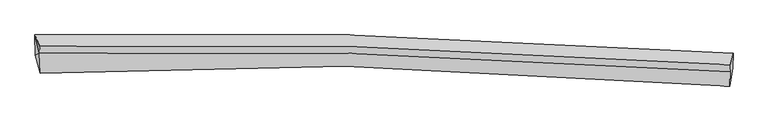
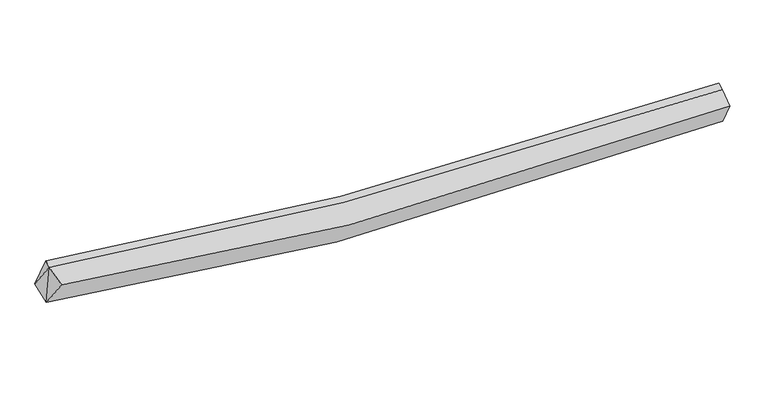
"""IFC4 building model written with IfcOpenShell, lengths in millimetres: proxy geometry."""

from ifc_helpers import new_model, si_unit, frame, origin, place, context, project, spatial, source, transform, mapped, element, save
from ifc_brep_helpers import plane_surface, spline_curve, spline_surface, advanced_brep


def generic_models_a4d318aa(model_context):
    return source(origin(), model_context, "Body", "AdvancedBrep", [
        advanced_brep(
        [(-6774.2137505, -2010.3667387, 3163.1494848), (-6780.1198, -1578.1529607, 3345.0221759), (8187.5505525, -1974.3131344, 2597.469093), (8179.1684131, -2295.9292455, 2387.3364855), (-6660.5310612, -2400.9058984, 3775.4807515), (8116.6853179, -2673.7687295, 2997.0357451), (-6682.1776771, -1970.738594, 3938.2201708), (8124.9237345, -2362.6517199, 3198.1945083), (-6675.625831, -1820.6626692, 3993.3045617), (8131.4755806, -2212.5757952, 3253.2788992)],
        [
            (0, 1),
            (1, 2, spline_curve(3, [(-6780.1198, -1578.1529607, 3345.0221759), (-4580.869031723, -1530.696477676, 2971.723868267), (-2374.047397431, -1530.378771991, 2715.079658604), (2610.895550842, -1635.780308394, 2399.940083278), (5393.297367587, -1768.151404508, 2407.399931478), (8187.5505525, -1974.3131344, 2597.469093)], [4, 2, 4], [0.0, 21.902348235922307, 49.30560249280356])),
            (2, 3),
            (3, 0, spline_curve(3, [(8179.1684131, -2295.9292455, 2387.3364855), (5358.183199288, -2036.179171264, 2073.75395599), (2565.377768186, -1891.390974133, 2014.337254252), (-2408.904919314, -1837.725643717, 2364.741734816), (-4600.560209882, -1887.326339, 2682.762768742), (-6774.2137505, -2010.3667387, 3163.1494848)], [4, 2, 4], [0.0, 27.40325425688125, 49.30560249280356])),
            (4, 0),
            (3, 5),
            (5, 4, spline_curve(3, [(8116.6853179, -2673.7687295, 2997.0357451), (5347.490602868, -2414.399232421, 2680.883060968), (2595.830296869, -2271.087718316, 2620.595660599), (-2323.575381312, -2222.051507528, 2972.491289841), (-4497.653868929, -2274.408744384, 3292.260358855), (-6660.5310612, -2400.9058984, 3775.4807515)], [4, 2, 4], [0.0, 27.26091569798833, 49.049498296623625])),
            (6, 4),
            (5, 7),
            (7, 6, spline_curve(3, [(8124.9237345, -2362.6517199, 3198.1945083), (5384.729508457, -2156.205775223, 3000.921129482), (2642.874571314, -2024.145723433, 2989.485989335), (-2293.425717575, -1920.374866962, 3303.282654738), (-4487.271251688, -1921.797210229, 3561.393015984), (-6682.1776771, -1970.738594, 3938.2201708)], [4, 2, 4], [0.0, 27.09858009667252, 48.757414204935955])),
            (8, 6),
            (7, 9),
            (9, 8, spline_curve(3, [(8131.4755806, -2212.5757952, 3253.2788992), (5391.281354262, -2006.129850035, 3056.005520464), (2649.426417742, -1874.069798026, 3044.570380076), (-2286.873871917, -1770.298942647, 3358.367045765), (-4480.719405999, -1771.721285448, 3616.477406589), (-6675.625831, -1820.6626692, 3993.3045617)], [4, 2, 4], [0.0, 27.11614711153572, 48.78902184699593])),
            (1, 8),
            (9, 2),
            (1, 6),
            (6, 0),
        ],
        [
            spline_surface(3, 3, [[(-6774.2137505, -2010.3667387, 3163.1494848), (-4600.560209936, -1887.326338637, 2682.762768859), (-2408.904919614, -1837.725643673, 2364.74173456), (2565.377768562, -1891.390974189, 2014.337254571), (5358.183199449, -2036.179171474, 2073.753955773), (8179.1684131, -2295.9292455, 2387.3364855)], [(-6776.182433673, -1866.295479368, 3223.773715184), (-4593.996483957, -1768.449718385, 2779.083135237), (-2397.28574562, -1735.27668653, 2481.521042662), (2580.55036275, -1806.18741881, 2142.871530739), (5369.887922174, -1946.836582644, 2184.96928092), (8181.962459582, -2188.723875141, 2457.380687987)], [(-6778.151116827, -1722.224220032, 3284.397945516), (-4587.432757959, -1649.573098129, 2875.403501564), (-2385.666571641, -1632.827729398, 2598.300350708), (2595.722956925, -1720.983863442, 2271.405806853), (5381.592644854, -1857.493993791, 2296.184606106), (8184.756506018, -2081.518504759, 2527.424890513)], [(-6780.1198, -1578.1529607, 3345.0221759), (-4580.86903198, -1530.696477877, 2971.723867943), (-2374.047397647, -1530.378772255, 2715.07965881), (2610.895551113, -1635.780308064, 2399.940083021), (5393.297367579, -1768.151404961, 2407.399931252), (8187.5505525, -1974.3131344, 2597.469093)]], [4, 4], [4, 2, 4], [0.0, 1.5215550675798986], [0.0, 21.902348235922307, 49.30560249280356]),
            spline_surface(3, 3, [[(-6660.5310612, -2400.9058984, 3775.4807515), (-4497.653868677, -2274.4087442, 3292.260358501), (-2323.57538131, -2222.051507247, 2972.491289501), (2595.830296867, -2271.087718668, 2620.595661024), (5347.490602517, -2414.399232653, 2680.883061273), (8116.6853179, -2673.7687295, 2997.0357451)], [(-6698.425290958, -2270.726178512, 3571.370329257), (-4531.955982421, -2145.381275691, 3089.094495277), (-2352.018560746, -2093.942886056, 2769.90810451), (2585.679454097, -2144.522137176, 2418.509525529), (5351.054801491, -2288.325878911, 2478.506692786), (8137.513016297, -2547.822234818, 2793.802658579)], [(-6736.319520742, -2140.546458588, 3367.259907043), (-4566.258096192, -2016.353807146, 2885.928632083), (-2380.461740178, -1965.834264863, 2567.324919551), (2575.528611332, -2017.956555681, 2216.423390066), (5354.619000475, -2162.252525216, 2276.130324261), (8158.340714703, -2421.875740182, 2590.569572021)], [(-6774.2137505, -2010.3667387, 3163.1494848), (-4600.560209936, -1887.326338637, 2682.762768859), (-2408.904919614, -1837.725643673, 2364.74173456), (2565.377768562, -1891.390974189, 2014.337254571), (5358.183199449, -2036.179171474, 2073.753955773), (8179.1684131, -2295.9292455, 2387.3364855)]], [4, 4], [4, 2, 4], [0.0, 2.35792801260865], [0.0, 21.788582598635294, 49.049498296623625]),
            spline_surface(3, 3, [[(-6682.1776771, -1970.738594, 3938.2201708), (-4487.271251764, -1921.797210483, 3561.393015978), (-2293.425717773, -1920.374867265, 3303.282654703), (2642.874571562, -2024.145723054, 2989.485989379), (5384.729508113, -2156.205774886, 3000.921129828), (8124.9237345, -2362.6517199, 3198.1945083)], [(-6674.962138496, -2114.127695466, 3883.973697707), (-4490.732124098, -2039.334388388, 3471.682130159), (-2303.475605619, -2020.933747276, 3193.018866305), (2627.193146663, -2106.459721609, 2866.522546596), (5372.316539564, -2242.270260799, 2894.241773629), (8122.177595617, -2466.357389757, 3131.14158722)], [(-6667.746599804, -2257.516796934, 3829.727224593), (-4494.192996343, -2156.871566295, 3381.971244319), (-2313.525493463, -2121.492627236, 3082.755077899), (2611.511721766, -2188.773720113, 2743.559103807), (5359.903571065, -2328.33474674, 2787.562417472), (8119.431456783, -2570.063059643, 3064.08866618)], [(-6660.5310612, -2400.9058984, 3775.4807515), (-4497.653868677, -2274.4087442, 3292.260358501), (-2323.57538131, -2222.051507247, 2972.491289501), (2595.830296867, -2271.087718668, 2620.595661024), (5347.490602517, -2414.399232653, 2680.883061273), (8116.6853179, -2673.7687295, 2997.0357451)]], [4, 4], [4, 2, 4], [0.0, 1.4602076286749337], [0.0, 21.658834108263434, 48.757414204935955]),
            spline_surface(3, 3, [[(-6675.625831, -1820.6626692, 3993.3045617), (-4480.719405664, -1771.721285683, 3616.477406878), (-2286.873871773, -1770.298942465, 3358.367045603), (2649.426417562, -1874.069798254, 3044.570380279), (5391.281354213, -2006.129850186, 3056.005520728), (8131.4755806, -2212.5757952, 3253.2788992)], [(-6677.80977969, -1870.68797745, 3974.94309806), (-4482.903354355, -1821.746593934, 3598.115943237), (-2289.057820463, -1820.324250716, 3340.005581962), (2647.242468871, -1924.095106504, 3026.208916638), (5389.097405522, -2056.155158436, 3037.644057088), (8129.29163191, -2262.60110345, 3234.91743556)], [(-6679.99372841, -1920.71328575, 3956.58163444), (-4485.087303074, -1871.771902233, 3579.754479618), (-2291.241769082, -1870.349559015, 3321.644118343), (2645.058520252, -1974.120414803, 3007.847453019), (5386.913456803, -2106.180466635, 3019.282593469), (8127.10768319, -2312.62641165, 3216.55597194)], [(-6682.1776771, -1970.738594, 3938.2201708), (-4487.271251764, -1921.797210483, 3561.393015978), (-2293.425717773, -1920.374867265, 3303.282654703), (2642.874571562, -2024.145723054, 2989.485989379), (5384.729508113, -2156.205774886, 3000.921129828), (8124.9237345, -2362.6517199, 3198.1945083)]], [4, 4], [4, 2, 4], [0.0, 0.524934383202099], [0.0, 21.67287473546021, 48.78902184699593]),
            spline_surface(3, 3, [[(-6780.1198, -1578.1529607, 3345.0221759), (-4580.86903198, -1530.696477877, 2971.723867943), (-2374.047397647, -1530.378772255, 2715.07965881), (2610.895551113, -1635.780308064, 2399.940083021), (5393.297367579, -1768.151404961, 2407.399931252), (8187.5505525, -1974.3131344, 2597.469093)], [(-6745.288476983, -1658.989530204, 3561.116304493), (-4547.485823191, -1611.038080482, 3186.641714247), (-2344.989555668, -1610.352162327, 2929.508787738), (2623.739173284, -1715.210138129, 2614.81684877), (5392.625363119, -1847.47755337, 2623.601794432), (8168.858895195, -2053.734021334, 2816.072361755)], [(-6710.457154017, -1739.826099696, 3777.210433107), (-4514.102614454, -1691.379683077, 3401.559560573), (-2315.931713752, -1690.325552394, 3143.937916675), (2636.582795391, -1794.639968189, 2829.693614529), (5391.953358673, -1926.803701776, 2839.803657548), (8150.167237905, -2133.154908266, 3034.675630445)], [(-6675.625831, -1820.6626692, 3993.3045617), (-4480.719405664, -1771.721285683, 3616.477406878), (-2286.873871773, -1770.298942465, 3358.367045603), (2649.426417562, -1874.069798254, 3044.570380279), (5391.281354213, -2006.129850186, 3056.005520728), (8131.4755806, -2212.5757952, 3253.2788992)]], [4, 4], [4, 2, 4], [0.0, 2.261984742814088], [0.0, 21.788938756046775, 49.05030006251494]),
            plane_surface(frame((8147.9607197, -2303.8477249, 2886.6629462), z_axis=(0.9959447918349016, -0.06594304085858704, 0.06120038381626043), x_axis=(-0.022231386834661568, -0.8395499868969071, -0.542827398848668))),
            plane_surface(frame((-6712.6411027, -1789.851408, 3758.8489695), z_axis=(-0.9879471261721249, -0.013469109268834566, 0.1542046010459599), x_axis=(0.136399588199165, -0.546736348776386, 0.8261201590965833))),
            plane_surface(frame((-6705.6408296, -2127.337077, 3625.6168024), z_axis=(-0.9878561469430638, -0.0959439171873662, 0.12220882824717721), x_axis=(0.1546461140324602, -0.5312626205953018, 0.832973353339032))),
            plane_surface(frame((-6745.5037425, -1853.0860978, 3482.1306105), z_axis=(-0.9905699848129526, -0.064417789540199, 0.12091920268684189), x_axis=(0.01259399248920944, -0.921647720013939, -0.38782324781566363))),
        ],
        [
            (0, [[1, 2, 3, 4]]),
            (1, [[5, -4, 6, 7]]),
            (2, [[8, -7, 9, 10]]),
            (3, [[11, -10, 12, 13]]),
            (4, [[14, -13, 15, -2]]),
            (5, [[-9, -6, -3, -15, -12]]),
            (6, [[16, -11, -14]]),
            (7, [[-5, -8, 17]]),
            (8, [[-1, -17, -16]]),
        ],
    ),
    ])


if __name__ == "__main__":
    model = new_model("IFC4")
    model_context = context("Model", 3, world=origin())
    ifc_project = project(units=[si_unit("LENGTHUNIT", "METRE", prefix="MILLI")], contexts=[model_context])
    site = spatial("IfcSite", under=ifc_project)
    building = spatial("IfcBuilding", under=site)
    placement = place(None, origin())
    generic_models_shape = generic_models_a4d318aa(model_context)
    element("IfcBuildingElementProxy", 1, Name="Generic Models", at=placement, inside=building, context=model_context, shape_type="MappedRepresentation", body=[
        mapped(generic_models_shape, transform((0.0, 0.0, 0.0), x_axis=(1.0, 0.0, 0.0), y_axis=(0.0, 1.0, 0.0), z_axis=(0.0, 0.0, 1.0))),
    ])
    save(model, "model.ifc")
